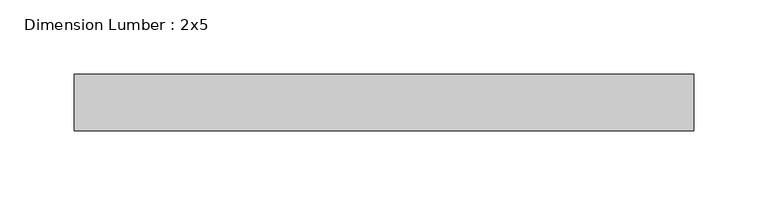
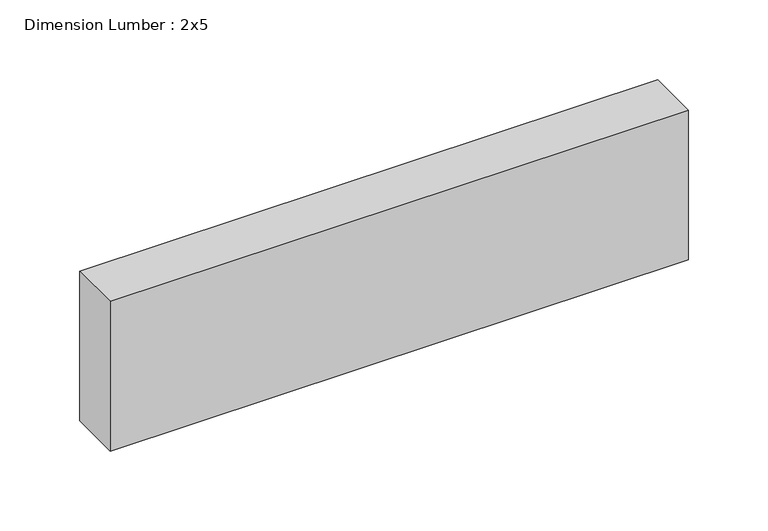
"""IFC4 building model written with IfcOpenShell, lengths in millimetres: beam geometry, Dimension Lumber : 2x5."""

from ifc_helpers import new_model, si_unit, frame, origin, place, context, project, spatial, polyline, outline, extrude, source, transform, mapped, element, save


def dimension_lumber_2x5_67332027(model_context):
    return source(origin(), model_context, "Body", "SweptSolid", [
        extrude(outline(polyline([(208.8304037, 19.05), (208.8304037, -19.05), (-208.8304037, -19.05), (-208.8304037, 19.05), (208.8304037, 19.05)])), frame((0.0, 0.0, -57.15), z_axis=(0.0, 0.0, 1.0), x_axis=(1.0, 0.0, 0.0)), (0.0, 0.0, 1.0), 114.3),
    ])


if __name__ == "__main__":
    model = new_model("IFC4")
    model_context = context("Model", 3, world=origin())
    ifc_project = project(units=[si_unit("LENGTHUNIT", "METRE", prefix="MILLI")], contexts=[model_context])
    site = spatial("IfcSite", under=ifc_project)
    building = spatial("IfcBuilding", under=site)
    placement = place(None, origin())
    dimension_lumber_2x5_shape = dimension_lumber_2x5_67332027(model_context)
    element("IfcBeam", 1, ObjectType="Dimension Lumber : 2x5", at=placement, inside=building, context=model_context, shape_type="MappedRepresentation", body=[
        mapped(dimension_lumber_2x5_shape, transform((0.0, 0.0, 0.0), x_axis=(1.0, 0.0, 0.0), y_axis=(0.0, 1.0, 0.0), z_axis=(0.0, 0.0, 1.0))),
    ])
    save(model, "model.ifc")
